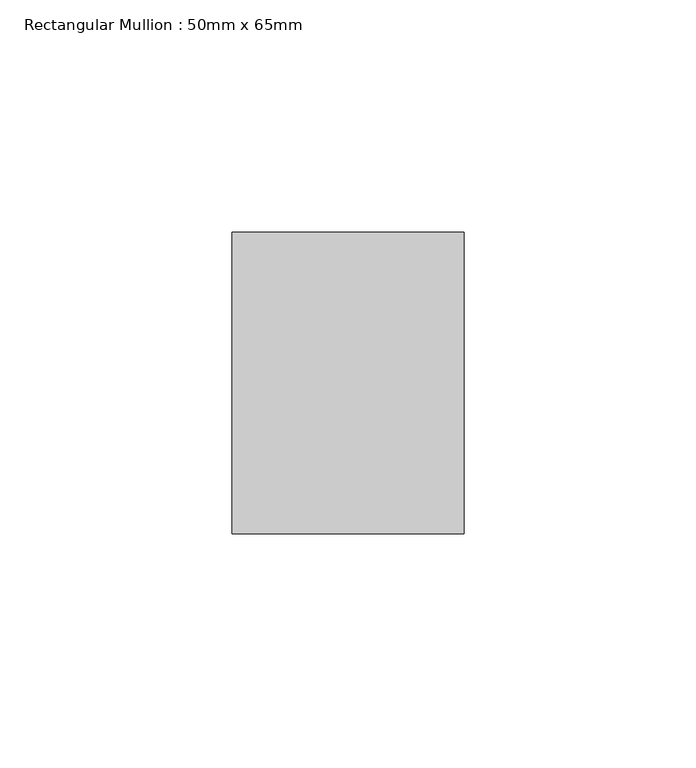
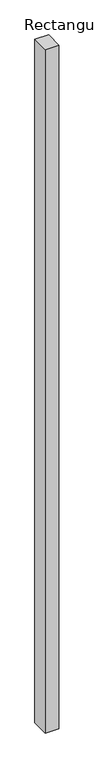
"""IFC4 building model written with IfcOpenShell, lengths in millimetres: member geometry, Rectangular Mullion : 50mm x 65mm."""

from ifc_helpers import new_model, si_unit, frame, origin, place, context, project, spatial, polyline, outline, extrude, source, transform, mapped, element, save


def rectangular_mullion_50mm_x_65mm_0ed9fb2b(model_context):
    return source(origin(), model_context, "Body", "SweptSolid", [
        extrude(outline(polyline([(25.0, 32.5), (25.0, -32.5), (-25.0, -32.5), (-25.0, 32.5), (25.0, 32.5)])), frame((0.0, 0.0, -2625.0746551), z_axis=(0.0, 0.0, 1.0), x_axis=(1.0, 0.0, 0.0)), (0.0, 0.0, 1.0), 2625.0746551),
    ])


if __name__ == "__main__":
    model = new_model("IFC4")
    model_context = context("Model", 3, world=origin())
    ifc_project = project(units=[si_unit("LENGTHUNIT", "METRE", prefix="MILLI")], contexts=[model_context])
    site = spatial("IfcSite", under=ifc_project)
    building = spatial("IfcBuilding", under=site)
    placement = place(None, origin())
    rectangular_mullion_50mm_x_65mm_shape = rectangular_mullion_50mm_x_65mm_0ed9fb2b(model_context)
    element("IfcMember", 1, ObjectType="Rectangular Mullion : 50mm x 65mm", at=placement, inside=building, context=model_context, shape_type="MappedRepresentation", body=[
        mapped(rectangular_mullion_50mm_x_65mm_shape, transform((0.0, 0.0, 0.0), x_axis=(1.0, 0.0, 0.0), y_axis=(0.0, 1.0, 0.0), z_axis=(0.0, 0.0, 1.0))),
    ])
    save(model, "model.ifc")
